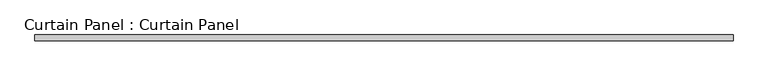
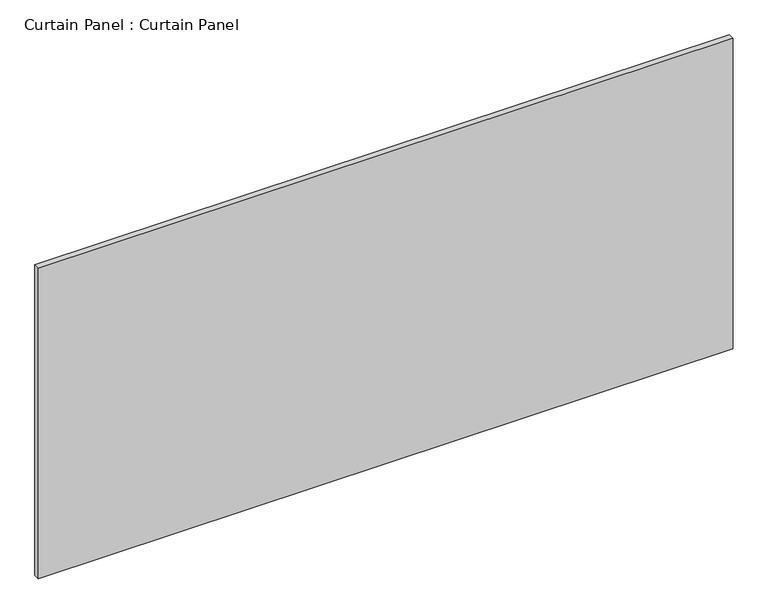
"""IFC4 building model written with IfcOpenShell, lengths in millimetres: plate geometry, Curtain Panel : Curtain Panel."""

from ifc_helpers import new_model, si_unit, frame, origin, place, context, project, spatial, polyline, outline, extrude, source, transform, mapped, element, save


def curtain_panel_curtain_panel_26d102a0(model_context):
    return source(origin(), model_context, "Body", "SweptSolid", [
        extrude(outline(polyline([(-114608.3555895, -9130.4431787), (-117621.4305895, -9130.4431787), (-117621.4305895, -9105.0431787), (-114608.3555895, -9105.0431787), (-114608.3555895, -9130.4431787)])), frame((0.0, 0.0, 132.953125), z_axis=(0.0, 0.0, 1.0), x_axis=(1.0, 0.0, 0.0)), (0.0, 0.0, 1.0), 1422.4),
    ])


if __name__ == "__main__":
    model = new_model("IFC4")
    model_context = context("Model", 3, world=origin())
    ifc_project = project(units=[si_unit("LENGTHUNIT", "METRE", prefix="MILLI")], contexts=[model_context])
    site = spatial("IfcSite", under=ifc_project)
    building = spatial("IfcBuilding", under=site)
    placement = place(None, origin())
    curtain_panel_curtain_panel_shape = curtain_panel_curtain_panel_26d102a0(model_context)
    element("IfcPlate", 1, ObjectType="Curtain Panel : Curtain Panel", at=placement, inside=building, context=model_context, shape_type="MappedRepresentation", body=[
        mapped(curtain_panel_curtain_panel_shape, transform((0.0, 0.0, 0.0), x_axis=(1.0, 0.0, 0.0), y_axis=(0.0, 1.0, 0.0), z_axis=(0.0, 0.0, 1.0))),
    ])
    save(model, "model.ifc")
